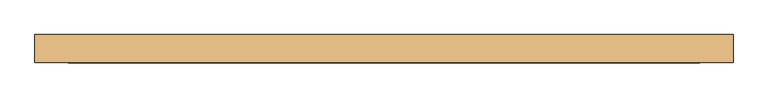
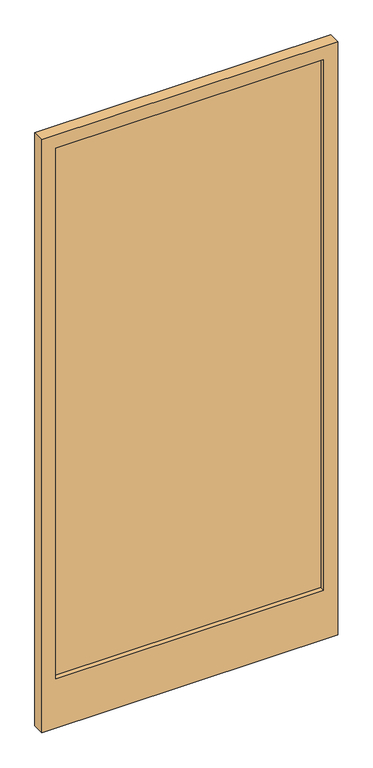
"""IFC4 building model written with IfcOpenShell, lengths in millimetres: door geometry."""

from ifc_helpers import new_model, si_unit, frame, origin, place, context, project, spatial, polyline, outline, extrude, source, transform, mapped, element, save


def door_25976a60(model_context):
    return source(origin(), model_context, "Body", "SweptSolid", [
        extrude(outline(polyline([(565.0, -5.0), (-565.0, -5.0), (-565.0, 5.0), (565.0, 5.0), (565.0, -5.0)])), frame((0.0, 0.0, 270.0), z_axis=(0.0, 0.0, 1.0), x_axis=(1.0, 0.0, 0.0)), (0.0, 0.0, 1.0), 2370.0),
        extrude(outline(polyline([(2700.0, 625.0), (2700.0, -625.0), (50.0, -625.0), (50.0, 625.0), (2700.0, 625.0)]), holes=[polyline([(2640.0, 565.0), (270.0, 565.0), (270.0, -565.0), (2640.0, -565.0), (2640.0, 565.0)])]), frame((0.0, -25.0, 0.0), z_axis=(0.0, 1.0, 0.0), x_axis=(0.0, 0.0, 1.0)), (0.0, 0.0, 1.0), 50.0),
    ])


if __name__ == "__main__":
    model = new_model("IFC4")
    model_context = context("Model", 3, world=origin())
    ifc_project = project(units=[si_unit("LENGTHUNIT", "METRE", prefix="MILLI")], contexts=[model_context])
    site = spatial("IfcSite", under=ifc_project)
    building = spatial("IfcBuilding", under=site)
    placement = place(None, origin())
    door_shape = door_25976a60(model_context)
    element("IfcDoor", 1, at=placement, inside=building, context=model_context, shape_type="MappedRepresentation", body=[
        mapped(door_shape, transform((0.0, 0.0, 0.0), x_axis=(1.0, 0.0, 0.0), y_axis=(0.0, 1.0, 0.0), z_axis=(0.0, 0.0, 1.0))),
    ])
    save(model, "model.ifc")
